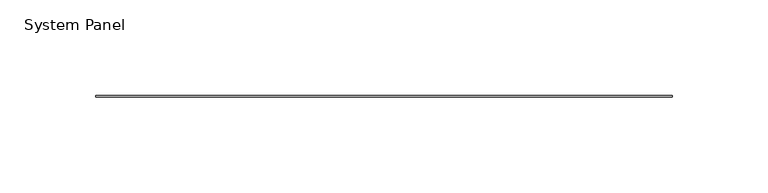
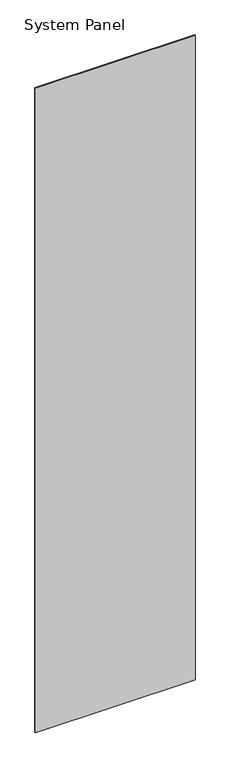
"""IFC4 building model written with IfcOpenShell, lengths in millimetres: plate geometry, System Panel."""

from ifc_helpers import new_model, si_unit, origin, origin_with_axes, place, context, project, spatial, polyline, outline, extrude, source, transform, mapped, element, save


def system_panel_a4273049(model_context):
    return source(origin(), model_context, "Body", "SweptSolid", [
        extrude(outline(polyline([(150.7490002, -0.396875), (-150.7490002, -0.396875), (-150.7490002, 0.396875), (150.7490002, 0.396875), (150.7490002, -0.396875)])), origin_with_axes(), (0.0, 0.0, 1.0), 1285.875),
    ])


if __name__ == "__main__":
    model = new_model("IFC4")
    model_context = context("Model", 3, world=origin())
    ifc_project = project(units=[si_unit("LENGTHUNIT", "METRE", prefix="MILLI")], contexts=[model_context])
    site = spatial("IfcSite", under=ifc_project)
    building = spatial("IfcBuilding", under=site)
    placement = place(None, origin())
    system_panel_shape = system_panel_a4273049(model_context)
    element("IfcPlate", 1, ObjectType="System Panel", at=placement, inside=building, context=model_context, shape_type="MappedRepresentation", body=[
        mapped(system_panel_shape, transform((0.0, 0.0, 0.0), x_axis=(1.0, 0.0, 0.0), y_axis=(0.0, 1.0, 0.0), z_axis=(0.0, 0.0, 1.0))),
    ])
    save(model, "model.ifc")
